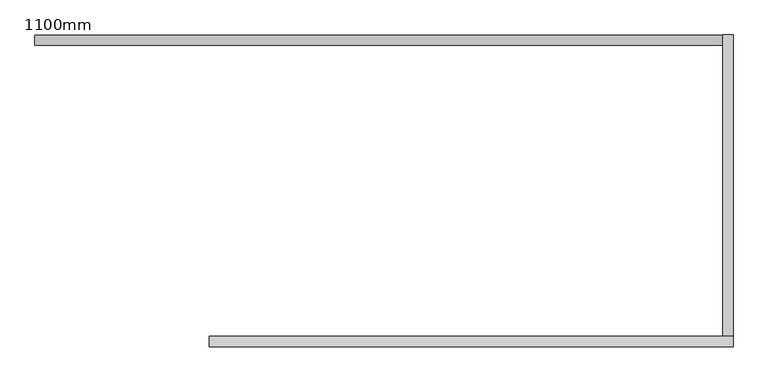
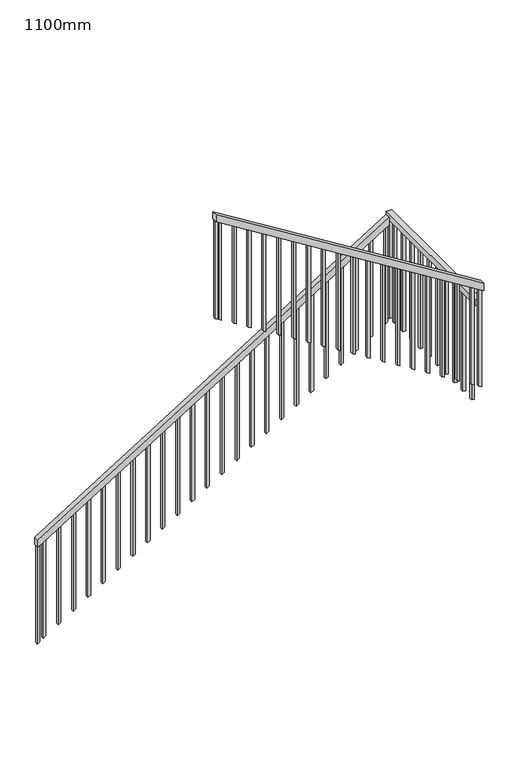
"""IFC4 building model written with IfcOpenShell, lengths in millimetres: railing geometry, 1100mm."""

from ifc_helpers import new_model, si_unit, frame, origin, place, context, project, spatial, polyline, outline, extrude, source, transform, mapped, element, save


def railing_1100mm_20f040d3(model_context):
    return source(origin(), model_context, "Body", "SweptSolid", [
        extrude(outline(polyline([(1273.9130435, -12617.5749186), (1203.2813558, -12617.5749186), (3259.1819769, -9307.5749186), (3329.8136646, -9307.5749186), (1273.9130435, -12617.5749186)])), frame((0.0, -11926.6395763, 0.0), z_axis=(0.0, 1.0, 0.0), x_axis=(0.0, 0.0, 1.0)), (0.0, 0.0, 1.0), 50.0),
        extrude(outline(polyline([(-9307.5749186, -11876.6395763), (-9257.5749186, -11876.6395763), (-9257.5749186, -13326.6395763), (-9307.5749186, -13326.6395763), (-9307.5749186, -11876.6395763)])), frame((0.0, 0.0, 3300.8695652), z_axis=(0.0, 0.0, 1.0), x_axis=(1.0, 0.0, 0.0)), (0.0, 0.0, 1.0), 60.0),
        extrude(outline(polyline([(3464.150921, -9257.5749186), (3534.7826087, -9257.5749186), (5100.0, -11777.5749186), (5029.3683123, -11777.5749186), (3464.150921, -9257.5749186)])), frame((0.0, -13376.6395763, 0.0), z_axis=(0.0, 1.0, 0.0), x_axis=(0.0, 0.0, 1.0)), (0.0, 0.0, 1.0), 50.0),
        extrude(outline(polyline([(4024.5530048, -11720.0749186), (4993.6540266, -11720.0749186), (5009.1819769, -11745.0749186), (4040.0809551, -11745.0749186), (4024.5530048, -11720.0749186)])), frame((0.0, -13364.1395763, 0.0), z_axis=(0.0, 1.0, 0.0), x_axis=(0.0, 0.0, 1.0)), (0.0, 0.0, 1.0), 25.0),
        extrude(outline(polyline([(3937.5964831, -11580.0749186), (4906.6975048, -11580.0749186), (4922.2254552, -11605.0749186), (3953.1244334, -11605.0749186), (3937.5964831, -11580.0749186)])), frame((0.0, -13364.1395763, 0.0), z_axis=(0.0, 1.0, 0.0), x_axis=(0.0, 0.0, 1.0)), (0.0, 0.0, 1.0), 25.0),
        extrude(outline(polyline([(3850.6399613, -11440.0749186), (4819.7409831, -11440.0749186), (4835.2689334, -11465.0749186), (3866.1679116, -11465.0749186), (3850.6399613, -11440.0749186)])), frame((0.0, -13364.1395763, 0.0), z_axis=(0.0, 1.0, 0.0), x_axis=(0.0, 0.0, 1.0)), (0.0, 0.0, 1.0), 25.0),
        extrude(outline(polyline([(3763.6834396, -11300.0749186), (4732.7844614, -11300.0749186), (4748.3124117, -11325.0749186), (3779.2113899, -11325.0749186), (3763.6834396, -11300.0749186)])), frame((0.0, -13364.1395763, 0.0), z_axis=(0.0, 1.0, 0.0), x_axis=(0.0, 0.0, 1.0)), (0.0, 0.0, 1.0), 25.0),
        extrude(outline(polyline([(3676.7269179, -11160.0749186), (4645.8279396, -11160.0749186), (4661.3558899, -11185.0749186), (3692.2548682, -11185.0749186), (3676.7269179, -11160.0749186)])), frame((0.0, -13364.1395763, 0.0), z_axis=(0.0, 1.0, 0.0), x_axis=(0.0, 0.0, 1.0)), (0.0, 0.0, 1.0), 25.0),
        extrude(outline(polyline([(3589.7703961, -11020.0749186), (4558.8714179, -11020.0749186), (4574.3993682, -11045.0749186), (3605.2983464, -11045.0749186), (3589.7703961, -11020.0749186)])), frame((0.0, -13364.1395763, 0.0), z_axis=(0.0, 1.0, 0.0), x_axis=(0.0, 0.0, 1.0)), (0.0, 0.0, 1.0), 25.0),
        extrude(outline(polyline([(3502.8138744, -10880.0749186), (4471.9148962, -10880.0749186), (4487.4428465, -10905.0749186), (3518.3418247, -10905.0749186), (3502.8138744, -10880.0749186)])), frame((0.0, -13364.1395763, 0.0), z_axis=(0.0, 1.0, 0.0), x_axis=(0.0, 0.0, 1.0)), (0.0, 0.0, 1.0), 25.0),
        extrude(outline(polyline([(3415.8573526, -10740.0749186), (4384.9583744, -10740.0749186), (4400.4863247, -10765.0749186), (3431.3853029, -10765.0749186), (3415.8573526, -10740.0749186)])), frame((0.0, -13364.1395763, 0.0), z_axis=(0.0, 1.0, 0.0), x_axis=(0.0, 0.0, 1.0)), (0.0, 0.0, 1.0), 25.0),
        extrude(outline(polyline([(3328.9008309, -10600.0749186), (4298.0018527, -10600.0749186), (4313.529803, -10625.0749186), (3344.4287812, -10625.0749186), (3328.9008309, -10600.0749186)])), frame((0.0, -13364.1395763, 0.0), z_axis=(0.0, 1.0, 0.0), x_axis=(0.0, 0.0, 1.0)), (0.0, 0.0, 1.0), 25.0),
        extrude(outline(polyline([(3241.9443092, -10460.0749186), (4211.0453309, -10460.0749186), (4226.5732812, -10485.0749186), (3257.4722595, -10485.0749186), (3241.9443092, -10460.0749186)])), frame((0.0, -13364.1395763, 0.0), z_axis=(0.0, 1.0, 0.0), x_axis=(0.0, 0.0, 1.0)), (0.0, 0.0, 1.0), 25.0),
        extrude(outline(polyline([(3154.9877874, -10320.0749186), (4124.0888092, -10320.0749186), (4139.6167595, -10345.0749186), (3170.5157377, -10345.0749186), (3154.9877874, -10320.0749186)])), frame((0.0, -13364.1395763, 0.0), z_axis=(0.0, 1.0, 0.0), x_axis=(0.0, 0.0, 1.0)), (0.0, 0.0, 1.0), 25.0),
        extrude(outline(polyline([(3068.0312657, -10180.0749186), (4037.1322875, -10180.0749186), (4052.6602378, -10205.0749186), (3083.559216, -10205.0749186), (3068.0312657, -10180.0749186)])), frame((0.0, -13364.1395763, 0.0), z_axis=(0.0, 1.0, 0.0), x_axis=(0.0, 0.0, 1.0)), (0.0, 0.0, 1.0), 25.0),
        extrude(outline(polyline([(2981.0747439, -10040.0749186), (3950.1757657, -10040.0749186), (3965.703716, -10065.0749186), (2996.6026943, -10065.0749186), (2981.0747439, -10040.0749186)])), frame((0.0, -13364.1395763, 0.0), z_axis=(0.0, 1.0, 0.0), x_axis=(0.0, 0.0, 1.0)), (0.0, 0.0, 1.0), 25.0),
        extrude(outline(polyline([(2894.1182222, -9900.0749186), (3863.219244, -9900.0749186), (3878.7471943, -9925.0749186), (2909.6461725, -9925.0749186), (2894.1182222, -9900.0749186)])), frame((0.0, -13364.1395763, 0.0), z_axis=(0.0, 1.0, 0.0), x_axis=(0.0, 0.0, 1.0)), (0.0, 0.0, 1.0), 25.0),
        extrude(outline(polyline([(2807.1617005, -9760.0749186), (3776.2627222, -9760.0749186), (3791.7906725, -9785.0749186), (2822.6896508, -9785.0749186), (2807.1617005, -9760.0749186)])), frame((0.0, -13364.1395763, 0.0), z_axis=(0.0, 1.0, 0.0), x_axis=(0.0, 0.0, 1.0)), (0.0, 0.0, 1.0), 25.0),
        extrude(outline(polyline([(2720.2051787, -9620.0749186), (3689.3062005, -9620.0749186), (3704.8341508, -9645.0749186), (2735.733129, -9645.0749186), (2720.2051787, -9620.0749186)])), frame((0.0, -13364.1395763, 0.0), z_axis=(0.0, 1.0, 0.0), x_axis=(0.0, 0.0, 1.0)), (0.0, 0.0, 1.0), 25.0),
        extrude(outline(polyline([(2633.248657, -9480.0749186), (3602.3496788, -9480.0749186), (3617.8776291, -9505.0749186), (2648.7766073, -9505.0749186), (2633.248657, -9480.0749186)])), frame((0.0, -13364.1395763, 0.0), z_axis=(0.0, 1.0, 0.0), x_axis=(0.0, 0.0, 1.0)), (0.0, 0.0, 1.0), 25.0),
        extrude(outline(polyline([(2546.2921352, -9340.0749186), (3515.393157, -9340.0749186), (3530.9211073, -9365.0749186), (2561.8200856, -9365.0749186), (2546.2921352, -9340.0749186)])), frame((0.0, -13364.1395763, 0.0), z_axis=(0.0, 1.0, 0.0), x_axis=(0.0, 0.0, 1.0)), (0.0, 0.0, 1.0), 25.0),
        extrude(outline(polyline([(-9295.0749186, -13219.1395763), (-9270.0749186, -13219.1395763), (-9270.0749186, -13244.1395763), (-9295.0749186, -13244.1395763), (-9295.0749186, -13219.1395763)])), frame((0.0, 0.0, 2307.4574396), z_axis=(0.0, 0.0, 1.0), x_axis=(1.0, 0.0, 0.0)), (0.0, 0.0, 1.0), 993.4121256),
        extrude(outline(polyline([(-9295.0749186, -13079.1395763), (-9270.0749186, -13079.1395763), (-9270.0749186, -13104.1395763), (-9295.0749186, -13104.1395763), (-9295.0749186, -13079.1395763)])), frame((0.0, 0.0, 2307.4574396), z_axis=(0.0, 0.0, 1.0), x_axis=(1.0, 0.0, 0.0)), (0.0, 0.0, 1.0), 993.4121256),
        extrude(outline(polyline([(-9295.0749186, -12939.1395763), (-9270.0749186, -12939.1395763), (-9270.0749186, -12964.1395763), (-9295.0749186, -12964.1395763), (-9295.0749186, -12939.1395763)])), frame((0.0, 0.0, 2307.4574396), z_axis=(0.0, 0.0, 1.0), x_axis=(1.0, 0.0, 0.0)), (0.0, 0.0, 1.0), 993.4121256),
        extrude(outline(polyline([(-9295.0749186, -12799.1395763), (-9270.0749186, -12799.1395763), (-9270.0749186, -12824.1395763), (-9295.0749186, -12824.1395763), (-9295.0749186, -12799.1395763)])), frame((0.0, 0.0, 2307.4574396), z_axis=(0.0, 0.0, 1.0), x_axis=(1.0, 0.0, 0.0)), (0.0, 0.0, 1.0), 993.4121256),
        extrude(outline(polyline([(-9295.0749186, -12659.1395763), (-9270.0749186, -12659.1395763), (-9270.0749186, -12684.1395763), (-9295.0749186, -12684.1395763), (-9295.0749186, -12659.1395763)])), frame((0.0, 0.0, 2307.4574396), z_axis=(0.0, 0.0, 1.0), x_axis=(1.0, 0.0, 0.0)), (0.0, 0.0, 1.0), 993.4121256),
        extrude(outline(polyline([(-9295.0749186, -12519.1395763), (-9270.0749186, -12519.1395763), (-9270.0749186, -12544.1395763), (-9295.0749186, -12544.1395763), (-9295.0749186, -12519.1395763)])), frame((0.0, 0.0, 2307.4574396), z_axis=(0.0, 0.0, 1.0), x_axis=(1.0, 0.0, 0.0)), (0.0, 0.0, 1.0), 993.4121256),
        extrude(outline(polyline([(-9295.0749186, -12379.1395763), (-9270.0749186, -12379.1395763), (-9270.0749186, -12404.1395763), (-9295.0749186, -12404.1395763), (-9295.0749186, -12379.1395763)])), frame((0.0, 0.0, 2307.4574396), z_axis=(0.0, 0.0, 1.0), x_axis=(1.0, 0.0, 0.0)), (0.0, 0.0, 1.0), 993.4121256),
        extrude(outline(polyline([(-9295.0749186, -12239.1395763), (-9270.0749186, -12239.1395763), (-9270.0749186, -12264.1395763), (-9295.0749186, -12264.1395763), (-9295.0749186, -12239.1395763)])), frame((0.0, 0.0, 2307.4574396), z_axis=(0.0, 0.0, 1.0), x_axis=(1.0, 0.0, 0.0)), (0.0, 0.0, 1.0), 993.4121256),
        extrude(outline(polyline([(-9295.0749186, -12099.1395763), (-9270.0749186, -12099.1395763), (-9270.0749186, -12124.1395763), (-9295.0749186, -12124.1395763), (-9295.0749186, -12099.1395763)])), frame((0.0, 0.0, 2307.4574396), z_axis=(0.0, 0.0, 1.0), x_axis=(1.0, 0.0, 0.0)), (0.0, 0.0, 1.0), 993.4121256),
        extrude(outline(polyline([(-9295.0749186, -11959.1395763), (-9270.0749186, -11959.1395763), (-9270.0749186, -11984.1395763), (-9295.0749186, -11984.1395763), (-9295.0749186, -11959.1395763)])), frame((0.0, 0.0, 2307.4574396), z_axis=(0.0, 0.0, 1.0), x_axis=(1.0, 0.0, 0.0)), (0.0, 0.0, 1.0), 993.4121256),
        extrude(outline(polyline([(3238.9956415, -9340.0749186), (2269.8946197, -9340.0749186), (2285.42257, -9315.0749186), (3254.5235918, -9315.0749186), (3238.9956415, -9340.0749186)])), frame((0.0, -11914.1395763, 0.0), z_axis=(0.0, 1.0, 0.0), x_axis=(0.0, 0.0, 1.0)), (0.0, 0.0, 1.0), 25.0),
        extrude(outline(polyline([(3152.0391198, -9480.0749186), (2182.938098, -9480.0749186), (2198.4660483, -9455.0749186), (3167.5670701, -9455.0749186), (3152.0391198, -9480.0749186)])), frame((0.0, -11914.1395763, 0.0), z_axis=(0.0, 1.0, 0.0), x_axis=(0.0, 0.0, 1.0)), (0.0, 0.0, 1.0), 25.0),
        extrude(outline(polyline([(3065.082598, -9620.0749186), (2095.9815762, -9620.0749186), (2111.5095265, -9595.0749186), (3080.6105483, -9595.0749186), (3065.082598, -9620.0749186)])), frame((0.0, -11914.1395763, 0.0), z_axis=(0.0, 1.0, 0.0), x_axis=(0.0, 0.0, 1.0)), (0.0, 0.0, 1.0), 25.0),
        extrude(outline(polyline([(2978.1260763, -9760.0749186), (2009.0250545, -9760.0749186), (2024.5530048, -9735.0749186), (2993.6540266, -9735.0749186), (2978.1260763, -9760.0749186)])), frame((0.0, -11914.1395763, 0.0), z_axis=(0.0, 1.0, 0.0), x_axis=(0.0, 0.0, 1.0)), (0.0, 0.0, 1.0), 25.0),
        extrude(outline(polyline([(2891.1695545, -9900.0749186), (1922.0685328, -9900.0749186), (1937.5964831, -9875.0749186), (2906.6975048, -9875.0749186), (2891.1695545, -9900.0749186)])), frame((0.0, -11914.1395763, 0.0), z_axis=(0.0, 1.0, 0.0), x_axis=(0.0, 0.0, 1.0)), (0.0, 0.0, 1.0), 25.0),
        extrude(outline(polyline([(2804.2130328, -10040.0749186), (1835.112011, -10040.0749186), (1850.6399613, -10015.0749186), (2819.7409831, -10015.0749186), (2804.2130328, -10040.0749186)])), frame((0.0, -11914.1395763, 0.0), z_axis=(0.0, 1.0, 0.0), x_axis=(0.0, 0.0, 1.0)), (0.0, 0.0, 1.0), 25.0),
        extrude(outline(polyline([(2717.2565111, -10180.0749186), (1748.1554893, -10180.0749186), (1763.6834396, -10155.0749186), (2732.7844614, -10155.0749186), (2717.2565111, -10180.0749186)])), frame((0.0, -11914.1395763, 0.0), z_axis=(0.0, 1.0, 0.0), x_axis=(0.0, 0.0, 1.0)), (0.0, 0.0, 1.0), 25.0),
        extrude(outline(polyline([(2630.2999893, -10320.0749186), (1661.1989675, -10320.0749186), (1676.7269179, -10295.0749186), (2645.8279396, -10295.0749186), (2630.2999893, -10320.0749186)])), frame((0.0, -11914.1395763, 0.0), z_axis=(0.0, 1.0, 0.0), x_axis=(0.0, 0.0, 1.0)), (0.0, 0.0, 1.0), 25.0),
        extrude(outline(polyline([(2543.3434676, -10460.0749186), (1574.2424458, -10460.0749186), (1589.7703961, -10435.0749186), (2558.8714179, -10435.0749186), (2543.3434676, -10460.0749186)])), frame((0.0, -11914.1395763, 0.0), z_axis=(0.0, 1.0, 0.0), x_axis=(0.0, 0.0, 1.0)), (0.0, 0.0, 1.0), 25.0),
        extrude(outline(polyline([(2456.3869458, -10600.0749186), (1487.2859241, -10600.0749186), (1502.8138744, -10575.0749186), (2471.9148962, -10575.0749186), (2456.3869458, -10600.0749186)])), frame((0.0, -11914.1395763, 0.0), z_axis=(0.0, 1.0, 0.0), x_axis=(0.0, 0.0, 1.0)), (0.0, 0.0, 1.0), 25.0),
        extrude(outline(polyline([(2369.4304241, -10740.0749186), (1400.3294023, -10740.0749186), (1415.8573526, -10715.0749186), (2384.9583744, -10715.0749186), (2369.4304241, -10740.0749186)])), frame((0.0, -11914.1395763, 0.0), z_axis=(0.0, 1.0, 0.0), x_axis=(0.0, 0.0, 1.0)), (0.0, 0.0, 1.0), 25.0),
        extrude(outline(polyline([(2282.4739024, -10880.0749186), (1313.3728806, -10880.0749186), (1328.9008309, -10855.0749186), (2298.0018527, -10855.0749186), (2282.4739024, -10880.0749186)])), frame((0.0, -11914.1395763, 0.0), z_axis=(0.0, 1.0, 0.0), x_axis=(0.0, 0.0, 1.0)), (0.0, 0.0, 1.0), 25.0),
        extrude(outline(polyline([(2195.5173806, -11020.0749186), (1226.4163588, -11020.0749186), (1241.9443092, -10995.0749186), (2211.0453309, -10995.0749186), (2195.5173806, -11020.0749186)])), frame((0.0, -11914.1395763, 0.0), z_axis=(0.0, 1.0, 0.0), x_axis=(0.0, 0.0, 1.0)), (0.0, 0.0, 1.0), 25.0),
        extrude(outline(polyline([(2108.5608589, -11160.0749186), (1139.4598371, -11160.0749186), (1154.9877874, -11135.0749186), (2124.0888092, -11135.0749186), (2108.5608589, -11160.0749186)])), frame((0.0, -11914.1395763, 0.0), z_axis=(0.0, 1.0, 0.0), x_axis=(0.0, 0.0, 1.0)), (0.0, 0.0, 1.0), 25.0),
        extrude(outline(polyline([(2021.6043371, -11300.0749186), (1052.5033154, -11300.0749186), (1068.0312657, -11275.0749186), (2037.1322875, -11275.0749186), (2021.6043371, -11300.0749186)])), frame((0.0, -11914.1395763, 0.0), z_axis=(0.0, 1.0, 0.0), x_axis=(0.0, 0.0, 1.0)), (0.0, 0.0, 1.0), 25.0),
        extrude(outline(polyline([(1934.6478154, -11440.0749186), (965.5467936, -11440.0749186), (981.0747439, -11415.0749186), (1950.1757657, -11415.0749186), (1934.6478154, -11440.0749186)])), frame((0.0, -11914.1395763, 0.0), z_axis=(0.0, 1.0, 0.0), x_axis=(0.0, 0.0, 1.0)), (0.0, 0.0, 1.0), 25.0),
        extrude(outline(polyline([(1847.6912937, -11580.0749186), (878.5902719, -11580.0749186), (894.1182222, -11555.0749186), (1863.219244, -11555.0749186), (1847.6912937, -11580.0749186)])), frame((0.0, -11914.1395763, 0.0), z_axis=(0.0, 1.0, 0.0), x_axis=(0.0, 0.0, 1.0)), (0.0, 0.0, 1.0), 25.0),
        extrude(outline(polyline([(1760.7347719, -11720.0749186), (791.6337502, -11720.0749186), (807.1617005, -11695.0749186), (1776.2627222, -11695.0749186), (1760.7347719, -11720.0749186)])), frame((0.0, -11914.1395763, 0.0), z_axis=(0.0, 1.0, 0.0), x_axis=(0.0, 0.0, 1.0)), (0.0, 0.0, 1.0), 25.0),
        extrude(outline(polyline([(1673.7782502, -11860.0749186), (704.6772284, -11860.0749186), (720.2051787, -11835.0749186), (1689.3062005, -11835.0749186), (1673.7782502, -11860.0749186)])), frame((0.0, -11914.1395763, 0.0), z_axis=(0.0, 1.0, 0.0), x_axis=(0.0, 0.0, 1.0)), (0.0, 0.0, 1.0), 25.0),
        extrude(outline(polyline([(1586.8217284, -12000.0749186), (617.7207067, -12000.0749186), (633.248657, -11975.0749186), (1602.3496788, -11975.0749186), (1586.8217284, -12000.0749186)])), frame((0.0, -11914.1395763, 0.0), z_axis=(0.0, 1.0, 0.0), x_axis=(0.0, 0.0, 1.0)), (0.0, 0.0, 1.0), 25.0),
        extrude(outline(polyline([(1499.8652067, -12140.0749186), (530.7641849, -12140.0749186), (546.2921352, -12115.0749186), (1515.393157, -12115.0749186), (1499.8652067, -12140.0749186)])), frame((0.0, -11914.1395763, 0.0), z_axis=(0.0, 1.0, 0.0), x_axis=(0.0, 0.0, 1.0)), (0.0, 0.0, 1.0), 25.0),
        extrude(outline(polyline([(1412.908685, -12280.0749186), (443.8076632, -12280.0749186), (459.3356135, -12255.0749186), (1428.4366353, -12255.0749186), (1412.908685, -12280.0749186)])), frame((0.0, -11914.1395763, 0.0), z_axis=(0.0, 1.0, 0.0), x_axis=(0.0, 0.0, 1.0)), (0.0, 0.0, 1.0), 25.0),
        extrude(outline(polyline([(1325.9521632, -12420.0749186), (356.8511415, -12420.0749186), (372.3790918, -12395.0749186), (1341.4801135, -12395.0749186), (1325.9521632, -12420.0749186)])), frame((0.0, -11914.1395763, 0.0), z_axis=(0.0, 1.0, 0.0), x_axis=(0.0, 0.0, 1.0)), (0.0, 0.0, 1.0), 25.0),
        extrude(outline(polyline([(1238.9956415, -12560.0749186), (269.8946197, -12560.0749186), (285.42257, -12535.0749186), (1254.5235918, -12535.0749186), (1238.9956415, -12560.0749186)])), frame((0.0, -11914.1395763, 0.0), z_axis=(0.0, 1.0, 0.0), x_axis=(0.0, 0.0, 1.0)), (0.0, 0.0, 1.0), 25.0),
        extrude(outline(polyline([(2502.8138744, -9270.0749186), (3471.9148962, -9270.0749186), (3487.4428465, -9295.0749186), (2518.3418247, -9295.0749186), (2502.8138744, -9270.0749186)])), frame((0.0, -13364.1395763, 0.0), z_axis=(0.0, 1.0, 0.0), x_axis=(0.0, 0.0, 1.0)), (0.0, 0.0, 1.0), 25.0),
        extrude(outline(polyline([(-11889.1395763, 3300.8695652), (-11889.1395763, 2297.8449303), (-11914.1395763, 2313.3728806), (-11914.1395763, 3300.8695652), (-11889.1395763, 3300.8695652)])), frame((-9295.0749186, 0.0, 0.0), z_axis=(1.0, 0.0, 0.0), x_axis=(0.0, 1.0, 0.0)), (0.0, 0.0, 1.0), 25.0),
        extrude(outline(polyline([(4044.7393402, -11752.5749186), (5013.840362, -11752.5749186), (5029.3683123, -11777.5749186), (4060.2672905, -11777.5749186), (4044.7393402, -11752.5749186)])), frame((0.0, -13364.1395763, 0.0), z_axis=(0.0, 1.0, 0.0), x_axis=(0.0, 0.0, 1.0)), (0.0, 0.0, 1.0), 25.0),
        extrude(outline(polyline([(1203.2813558, -12617.5749186), (234.180334, -12617.5749186), (249.7082843, -12592.5749186), (1218.8093061, -12592.5749186), (1203.2813558, -12617.5749186)])), frame((0.0, -11914.1395763, 0.0), z_axis=(0.0, 1.0, 0.0), x_axis=(0.0, 0.0, 1.0)), (0.0, 0.0, 1.0), 25.0),
    ])


if __name__ == "__main__":
    model = new_model("IFC4")
    model_context = context("Model", 3, world=origin())
    ifc_project = project(units=[si_unit("LENGTHUNIT", "METRE", prefix="MILLI")], contexts=[model_context])
    site = spatial("IfcSite", under=ifc_project)
    building = spatial("IfcBuilding", under=site)
    placement = place(None, origin())
    railing_1100mm_shape = railing_1100mm_20f040d3(model_context)
    element("IfcRailing", 1, ObjectType="1100mm", at=placement, inside=building, context=model_context, shape_type="MappedRepresentation", body=[
        mapped(railing_1100mm_shape, transform((0.0, 0.0, 0.0), x_axis=(1.0, 0.0, 0.0), y_axis=(0.0, 1.0, 0.0), z_axis=(0.0, 0.0, 1.0))),
    ])
    save(model, "model.ifc")
